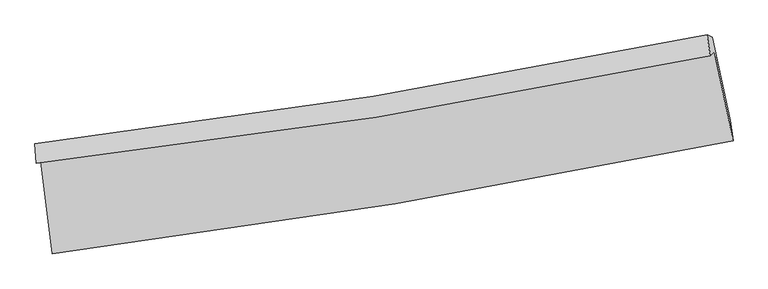
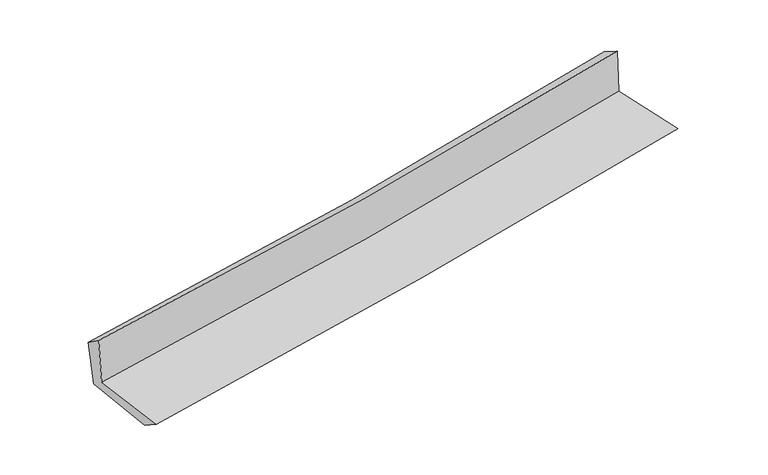
"""IFC4 building model written with IfcOpenShell, lengths in millimetres: proxy geometry."""

from ifc_helpers import new_model, si_unit, frame, origin, place, context, project, spatial, source, transform, mapped, element, save
from ifc_brep_helpers import plane_surface, spline_curve, spline_surface, advanced_brep


def generic_models_fd01a381(model_context):
    return source(origin(), model_context, "Body", "AdvancedBrep", [
        advanced_brep(
        [(-2545.1698173, -1878.8271833, 1644.2119896), (-2461.7227107, -2567.4015398, 1640.8515938), (2618.4281007, -1725.6699988, 2104.6228661), (2479.7021608, -1063.266793, 2102.6059515), (-2580.9724459, -1894.8670383, 2055.6917833), (2448.3800747, -1091.1398625, 2501.7463451), (-2589.2177387, -1747.8894909, 1952.1017124), (2423.9994908, -936.1475242, 2414.5120659), (-2551.0568489, -1765.6244051, 1559.3724681), (2464.0491906, -954.0403777, 2024.7150175), (-2471.6267437, -2408.193366, 1539.2459808), (2595.7585504, -1573.2878029, 2004.8920932)],
        [
            (0, 1),
            (1, 2, spline_curve(3, [(-2461.7227107, -2567.4015398, 1640.8515938), (-1606.451139515, -2460.192501255, 1727.151170038), (-753.431972999, -2336.022630807, 1809.114678723), (939.908457055, -2055.120349599, 1963.621990216), (1780.272894543, -1898.713039651, 2036.248905482), (2618.4281007, -1725.6699988, 2104.6228661)], [4, 2, 4], [0.0, 8.476484875053545, 16.871339126051375])),
            (2, 3),
            (3, 0, spline_curve(3, [(2479.7021608, -1063.266793, 2102.6059515), (1652.667024553, -1241.978191948, 2035.141354794), (822.451624008, -1399.073517935, 1963.41510492), (-852.443552066, -1671.349409776, 1810.700400203), (-1697.185477619, -1786.107547086, 1729.628663084), (-2545.1698173, -1878.8271833, 1644.2119896)], [4, 2, 4], [0.0, 8.39485425099783, 16.871339126051375])),
            (4, 0),
            (3, 5),
            (5, 4, spline_curve(3, [(2448.3800747, -1091.1398625, 2501.7463451), (1620.368167357, -1263.457347095, 2428.9014076), (789.29224382, -1416.363665727, 2355.490327933), (-887.098718118, -1684.652063815, 2206.816537632), (-1732.473635147, -1799.654803771, 2131.542763498), (-2580.9724459, -1894.8670383, 2055.6917833)], [4, 2, 4], [0.0, 8.348173907495443, 16.777524524606005])),
            (6, 4),
            (5, 7),
            (7, 6, spline_curve(3, [(2423.9994908, -936.1475242, 2414.5120659), (1598.825390205, -1106.770000888, 2334.840021909), (770.506863044, -1259.486166954, 2256.649047442), (-900.504097235, -1530.416753606, 2102.483319221), (-1743.257979993, -1648.281243148, 2026.537509152), (-2589.2177387, -1747.8894909, 1952.1017124)], [4, 2, 4], [0.0, 8.338075580619336, 16.757229675852404])),
            (8, 6),
            (7, 9),
            (9, 8, spline_curve(3, [(2464.0491906, -954.0403777, 2024.7150175), (1637.488884129, -1124.359346595, 1955.39009132), (808.318018892, -1276.909990033, 1882.155716934), (-863.332977647, -1547.785233754, 1727.117933761), (-1705.864125765, -1665.762599492, 1645.238124845), (-2551.0568489, -1765.6244051, 1559.3724681)], [4, 2, 4], [0.0, 8.328839361114621, 16.73866742487727])),
            (10, 8),
            (9, 11),
            (11, 10, spline_curve(3, [(2595.7585504, -1573.2878029, 2004.8920932), (1759.108202762, -1739.88337285, 1934.052759667), (920.553358641, -1892.488009225, 1860.032465127), (-768.537854288, -2171.063278922, 1704.879257697), (-1619.111441759, -2296.760496845, 1623.684181369), (-2471.6267437, -2408.193366, 1539.2459808)], [4, 2, 4], [0.0, 8.375152996595034, 16.83174504445089])),
            (1, 10),
            (11, 2),
        ],
        [
            spline_surface(3, 3, [[(-2545.1698173, -1878.8271833, 1644.2119896), (-1697.1854776, -1786.107547149, 1729.628662952), (-852.443552169, -1671.349409794, 1810.70040023), (822.45162411, -1399.073517917, 1963.415104894), (1652.667024664, -1241.978191856, 2035.141354911), (2479.7021608, -1063.266793, 2102.6059515)], [(-2517.354115099, -2108.351968823, 1643.091857661), (-1666.940698192, -2010.80253187, 1728.802831958), (-819.439692501, -1892.907150154, 1810.171826391), (861.603901776, -1617.755795134, 1963.484066655), (1695.202314654, -1460.889807794, 2035.510538453), (2525.94414075, -1284.067861605, 2103.278256369)], [(-2489.538412901, -2337.876754277, 1641.971725739), (-1636.695918787, -2235.497516524, 1727.977000983), (-786.435832777, -2114.464890497, 1809.643252577), (900.756179498, -1836.438072332, 1963.55302844), (1737.737604693, -1679.801423717, 2035.879721989), (2572.18612075, -1504.868930195, 2103.950561231)], [(-2461.7227107, -2567.4015398, 1640.8515938), (-1606.451139379, -2460.192501245, 1727.151169989), (-753.431973109, -2336.022630857, 1809.114678738), (939.908457165, -2055.120349549, 1963.621990202), (1780.272894682, -1898.713039656, 2036.248905531), (2618.4281007, -1725.6699988, 2104.6228661)]], [4, 4], [4, 2, 4], [0.0, 2.1955335267576728], [0.0, 8.476484875053545, 16.871339126051375]),
            spline_surface(3, 3, [[(-2580.9724459, -1894.8670383, 2055.6917833), (-1732.473635083, -1799.65480364, 2131.542763471), (-887.098718247, -1684.652063775, 2206.816537696), (789.292243947, -1416.363665767, 2355.490327869), (1620.368167297, -1263.45734702, 2428.901407621), (2448.3800747, -1091.1398625, 2501.7463451)], [(-2569.038236383, -1889.520419963, 1918.531852053), (-1720.710915939, -1795.139051473, 1997.571396617), (-875.546996218, -1680.217845772, 2074.777825217), (800.345370671, -1410.600283141, 2224.798586887), (1631.134453087, -1256.297628614, 2297.648056728), (2458.820770067, -1081.848839315, 2368.699547244)], [(-2557.104026817, -1884.173801637, 1781.371920847), (-1708.948196744, -1790.623299316, 1863.600029805), (-863.995274198, -1675.783627797, 1942.739112709), (811.398497386, -1404.836900543, 2094.106845876), (1641.900738875, -1249.137910262, 2166.394705803), (2469.261465433, -1072.557816185, 2235.652749356)], [(-2545.1698173, -1878.8271833, 1644.2119896), (-1697.1854776, -1786.107547149, 1729.628662952), (-852.443552169, -1671.349409794, 1810.70040023), (822.45162411, -1399.073517917, 1963.415104894), (1652.667024664, -1241.978191856, 2035.141354911), (2479.7021608, -1063.266793, 2102.6059515)]], [4, 4], [4, 2, 4], [0.0, 1.298775952912139], [0.0, 8.429350617110561, 16.777524524606005]),
            spline_surface(3, 3, [[(-2589.2177387, -1747.8894909, 1952.1017124), (-1743.257979993, -1648.281243086, 2026.537509253), (-900.504097298, -1530.416753588, 2102.483319317), (770.506863106, -1259.486166971, 2256.649047347), (1598.825390254, -1106.770000924, 2334.840021827), (2423.9994908, -936.1475242, 2414.5120659)], [(-2586.469307768, -1796.882006691, 1986.631736041), (-1739.663198358, -1698.739096595, 2061.539260666), (-896.035637602, -1581.828523675, 2137.26105877), (776.768656732, -1311.778666595, 2289.596140848), (1606.006315946, -1158.999116298, 2366.193817099), (2432.126352111, -987.811636975, 2443.590158974)], [(-2583.720876832, -1845.874522509, 2021.161759659), (-1736.068416719, -1749.196950131, 2096.541012057), (-891.567177943, -1633.240293687, 2172.038798243), (783.030450322, -1364.071166143, 2322.543234368), (1613.187241605, -1211.228231647, 2397.547612349), (2440.253213389, -1039.475749725, 2472.668252026)], [(-2580.9724459, -1894.8670383, 2055.6917833), (-1732.473635083, -1799.65480364, 2131.542763471), (-887.098718247, -1684.652063775, 2206.816537696), (789.292243947, -1416.363665767, 2355.490327869), (1620.368167297, -1263.45734702, 2428.901407621), (2448.3800747, -1091.1398625, 2501.7463451)]], [4, 4], [4, 2, 4], [0.0, 0.6118335229190024], [0.0, 8.419154095233068, 16.757229675852404]),
            spline_surface(3, 3, [[(-2551.0568489, -1765.6244051, 1559.3724681), (-1705.864125842, -1665.762599449, 1645.238124884), (-863.332977766, -1547.785233704, 1727.117933636), (808.31801901, -1276.909990083, 1882.155717057), (1637.488884087, -1124.359346691, 1955.390091401), (2464.0491906, -954.0403777, 2024.7150175)], [(-2563.777145486, -1759.712767029, 1690.282216213), (-1718.328743879, -1659.935480658, 1772.337919687), (-875.723350956, -1541.995740321, 1852.239728888), (795.714300363, -1271.102049034, 2006.986827178), (1624.601052811, -1118.496231418, 2081.873401516), (2450.699290669, -948.076093183, 2154.64736694)], [(-2576.497442114, -1753.801128971, 1821.191964287), (-1730.793361957, -1654.108361878, 1899.437714449), (-888.113724109, -1536.206246971, 1977.361524065), (783.110581753, -1265.29410802, 2131.817937226), (1611.713221529, -1112.633116197, 2208.356711712), (2437.349390731, -942.111808717, 2284.57971646)], [(-2589.2177387, -1747.8894909, 1952.1017124), (-1743.257979993, -1648.281243086, 2026.537509253), (-900.504097298, -1530.416753588, 2102.483319317), (770.506863106, -1259.486166971, 2256.649047347), (1598.825390254, -1106.770000924, 2334.840021827), (2423.9994908, -936.1475242, 2414.5120659)]], [4, 4], [4, 2, 4], [0.0, 1.2375484962642949], [0.0, 8.40982806376265, 16.73866742487727]),
            spline_surface(3, 3, [[(-2471.6267437, -2408.193366, 1539.2459808), (-1619.111441779, -2296.760496935, 1623.684181464), (-768.537854367, -2171.063278985, 1704.879257695), (920.553358719, -1892.488009162, 1860.032465128), (1759.108202646, -1739.883372769, 1934.05275965), (2595.7585504, -1573.2878029, 2004.8920932)], [(-2498.103445439, -2194.003712363, 1545.954809904), (-1648.029003139, -2086.427864436, 1630.868829275), (-800.13622882, -1963.303930568, 1712.292149653), (883.141578829, -1687.295336146, 1867.406882415), (1718.568429781, -1534.708697419, 1941.165203566), (2551.855430455, -1366.87199451, 2011.499734632)], [(-2524.580147161, -1979.814058737, 1552.663638996), (-1676.946564483, -1876.095231949, 1638.053477073), (-831.734603313, -1755.544582121, 1719.705041679), (845.7297989, -1482.102663099, 1874.78129977), (1678.028656952, -1329.534022041, 1948.277647485), (2507.952310545, -1160.45618609, 2018.107376068)], [(-2551.0568489, -1765.6244051, 1559.3724681), (-1705.864125842, -1665.762599449, 1645.238124884), (-863.332977766, -1547.785233704, 1727.117933636), (808.31801901, -1276.909990083, 1882.155717057), (1637.488884087, -1124.359346691, 1955.390091401), (2464.0491906, -954.0403777, 2024.7150175)]], [4, 4], [4, 2, 4], [0.0, 2.0617867733755406], [0.0, 8.456592047855857, 16.83174504445089]),
            spline_surface(3, 3, [[(-2461.7227107, -2567.4015398, 1640.8515938), (-1606.451139379, -2460.192501245, 1727.151169989), (-753.431973109, -2336.022630857, 1809.114678738), (939.908457165, -2055.120349549, 1963.621990202), (1780.272894682, -1898.713039656, 2036.248905531), (2618.4281007, -1725.6699988, 2104.6228661)], [(-2465.024055026, -2514.332148531, 1606.983056128), (-1610.671240172, -2405.715166473, 1692.662173809), (-758.467266859, -2281.036180213, 1774.369538394), (933.456757685, -2000.909569399, 1929.092148514), (1773.217997351, -1845.769817373, 2002.183523578), (2610.871583948, -1674.875933513, 2071.379275141)], [(-2468.325399374, -2461.262757269, 1573.114518472), (-1614.891340987, -2351.237831707, 1658.173177644), (-763.502560617, -2226.04972963, 1739.624398039), (927.005058199, -1946.698789312, 1894.562306816), (1766.163099977, -1792.826595052, 1968.118141603), (2603.315067152, -1624.081868187, 2038.135684159)], [(-2471.6267437, -2408.193366, 1539.2459808), (-1619.111441779, -2296.760496935, 1623.684181464), (-768.537854367, -2171.063278985, 1704.879257695), (920.553358719, -1892.488009162, 1860.032465128), (1759.108202646, -1739.883372769, 1934.05275965), (2595.7585504, -1573.2878029, 2004.8920932)]], [4, 4], [4, 2, 4], [0.0, 0.6389415520658298], [0.0, 8.513038411315335, 16.944094179073893]),
            plane_surface(frame((2505.052928, -1223.9253932, 2192.1823899), z_axis=(0.9746708582874631, 0.20439995583795137, 0.09075999150850228), x_axis=(-0.10210055772857661, 0.04561508167088703, 0.9937276993400516))),
            plane_surface(frame((-2533.2943842, -2043.8005039, 1731.912588), z_axis=(-0.9886994173879322, -0.1193761946208265, -0.09067957992080658), x_axis=(-0.12030658006004372, 0.9927249646797311, 0.004844718349189742))),
        ],
        [
            (0, [[1, 2, 3, 4]]),
            (1, [[5, -4, 6, 7]]),
            (2, [[8, -7, 9, 10]]),
            (3, [[11, -10, 12, 13]]),
            (4, [[14, -13, 15, 16]]),
            (5, [[17, -16, 18, -2]]),
            (6, [[-12, -9, -6, -3, -18, -15]]),
            (7, [[-1, -5, -8, -11, -14, -17]]),
        ],
    ),
    ])


if __name__ == "__main__":
    model = new_model("IFC4")
    model_context = context("Model", 3, world=origin())
    ifc_project = project(units=[si_unit("LENGTHUNIT", "METRE", prefix="MILLI")], contexts=[model_context])
    site = spatial("IfcSite", under=ifc_project)
    building = spatial("IfcBuilding", under=site)
    placement = place(None, origin())
    generic_models_shape = generic_models_fd01a381(model_context)
    element("IfcBuildingElementProxy", 1, Name="Generic Models", at=placement, inside=building, context=model_context, shape_type="MappedRepresentation", body=[
        mapped(generic_models_shape, transform((0.0, 0.0, 0.0), x_axis=(1.0, 0.0, 0.0), y_axis=(0.0, 1.0, 0.0), z_axis=(0.0, 0.0, 1.0))),
    ])
    save(model, "model.ifc")
